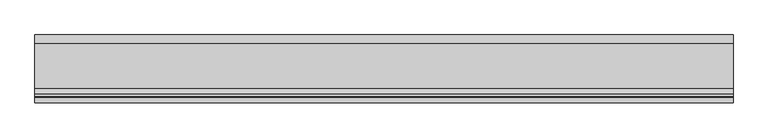
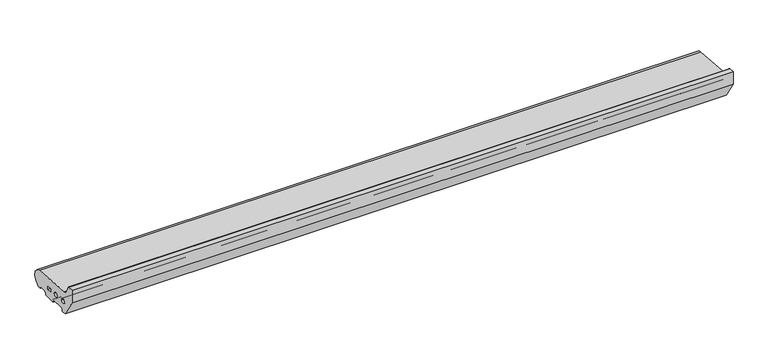
"""IFC4 building model written with IfcOpenShell, lengths in millimetres: proxy geometry."""

import ifcopenshell
import ifcopenshell.guid

model = None  # the IFC model being written
_history = None  # IfcOwnerHistory: only IFC2X3 demands one
_inside = {}  # id of a spatial element -> (the spatial element, [elements in it])
_under = {}  # id of a project, library or spatial element -> (it, [spatial elements below it])
_declared = {}  # id of a project -> (the project, [libraries it declares])
_typed = {}  # id of a type object -> (the type object, [elements of that type])
_made_of = {}  # id of a material, layer set ... -> (it, [elements and type objects made of it])


def new_model(schema):
    """Start an empty IFC model of exactly this schema.

    Asked for "IFC4X3", IfcOpenShell would pick the latest addendum, in which some entities
    have other attributes; the version numbers below select the first issue.
    IFC2X3 requires an IfcOwnerHistory on every rooted entity: one is made here for all.
    """
    global model, _history
    if schema == "IFC4X3":
        model = ifcopenshell.file(schema_version=(4, 3, 0, 0))
    else:
        model = ifcopenshell.file(schema=schema)
    _inside.clear()
    _under.clear()
    _declared.clear()
    _typed.clear()
    _made_of.clear()
    _history = None
    if model.schema == "IFC2X3":
        org = make("IfcOrganization", Name="unknown")
        user = make(
            "IfcPersonAndOrganization",
            ThePerson=make("IfcPerson", FamilyName="unknown"),
            TheOrganization=org,
        )
        app = make(
            "IfcApplication",
            ApplicationDeveloper=org,
            Version="unknown",
            ApplicationFullName="unknown",
            ApplicationIdentifier="unknown",
        )
        _history = make(
            "IfcOwnerHistory",
            OwningUser=user,
            OwningApplication=app,
            ChangeAction="ADDED",
            CreationDate=0,
        )
    return model


def make(cls, **values):
    """One entity of the class cls with the attributes given. An attribute that is None is left unset."""
    return model.create_entity(
        cls, **{name: value for name, value in values.items() if value is not None}
    )


def rooted(cls, **values):
    """An entity with a GlobalId (a new one), such as an element, a storey or a relation."""
    return make(cls, GlobalId=ifcopenshell.guid.new(), OwnerHistory=_history, **values)


def si_unit(unit_type, name, prefix=None):
    """IfcSIUnit, for example si_unit("LENGTHUNIT", "METRE", prefix="MILLI")."""
    return make("IfcSIUnit", UnitType=unit_type, Prefix=prefix, Name=name)


def assignment(units):
    """IfcUnitAssignment: the units of a project."""
    return None if units is None else make("IfcUnitAssignment", Units=units)


def point(xyz):
    """IfcCartesianPoint."""
    return None if xyz is None else make("IfcCartesianPoint", Coordinates=xyz)


def direction(xyz):
    """IfcDirection."""
    return None if xyz is None else make("IfcDirection", DirectionRatios=xyz)


def frame(location, z_axis=None, x_axis=None):
    """IfcAxis2Placement3D, a coordinate frame: its origin and axes. An axis left out is left unset."""
    return make(
        "IfcAxis2Placement3D",
        Location=point(location),
        Axis=direction(z_axis),
        RefDirection=direction(x_axis),
    )


def frame_2d(location, x_axis=None):
    """IfcAxis2Placement2D, a coordinate frame in the plane: its origin and x axis."""
    return make(
        "IfcAxis2Placement2D", Location=point(location), RefDirection=direction(x_axis)
    )


def origin():
    """The frame at (0, 0, 0) with its axes left unset."""
    return frame((0.0, 0.0, 0.0))


def place(relative_to, where):
    """IfcLocalPlacement: puts the frame where relative to a parent placement (None: the world)."""
    return make(
        "IfcLocalPlacement", PlacementRelTo=relative_to, RelativePlacement=where
    )


def context(
    kind, dimensions, precision=None, world=None, true_north=None, identifier=None
):
    """IfcGeometricRepresentationContext, for example the 3D "Model" context."""
    return make(
        "IfcGeometricRepresentationContext",
        ContextIdentifier=identifier,
        ContextType=kind,
        CoordinateSpaceDimension=dimensions,
        Precision=precision,
        WorldCoordinateSystem=world,
        TrueNorth=true_north,
    )


def project(units=None, contexts=None):
    """IfcProject with its units and contexts."""
    return rooted(
        "IfcProject",
        Name="project",
        RepresentationContexts=contexts,
        UnitsInContext=assignment(units),
    )


def spatial(cls, under=None, at=None, **own):
    """A site, building, storey or space (cls), placed at a placement, below another one or the project."""
    s = rooted(cls, ObjectPlacement=at, **own)
    if under is not None:
        _under.setdefault(under.id(), (under, []))[1].append(s)
    return s


def polyline(points):
    """IfcPolyline through the points."""
    return make("IfcPolyline", Points=[point(p) for p in points])


def circle_curve(where, radius):
    """IfcCircle in the frame where."""
    return make("IfcCircle", Position=where, Radius=radius)


def trimmed(basis, trim1, trim2, sense, master):
    """IfcTrimmedCurve: the piece of a basis curve between two trims."""
    return make(
        "IfcTrimmedCurve",
        BasisCurve=basis,
        Trim1=trim1,
        Trim2=trim2,
        SenseAgreement=sense,
        MasterRepresentation=master,
    )


def segment(curve, same_sense, transition):
    """IfcCompositeCurveSegment."""
    return make(
        "IfcCompositeCurveSegment",
        Transition=transition,
        SameSense=same_sense,
        ParentCurve=curve,
    )


def composite_curve(segments, self_intersect=None):
    """IfcCompositeCurve: segments joined end to end."""
    return make("IfcCompositeCurve", Segments=segments, SelfIntersect=self_intersect)


def outline(outer, holes=None, kind="AREA"):
    """IfcArbitraryClosedProfileDef: a profile drawn as a closed curve; with holes, ...WithVoids."""
    if holes is None:
        return make("IfcArbitraryClosedProfileDef", ProfileType=kind, OuterCurve=outer)
    return make(
        "IfcArbitraryProfileDefWithVoids",
        ProfileType=kind,
        OuterCurve=outer,
        InnerCurves=holes,
    )


def extrude(swept, where, along, depth):
    """IfcExtrudedAreaSolid: the profile swept, set in the frame where, extruded along a direction by depth."""
    return make(
        "IfcExtrudedAreaSolid",
        SweptArea=swept,
        Position=where,
        ExtrudedDirection=direction(along),
        Depth=depth,
    )


def shape(context_of_items, identifier, shape_type, items):
    """IfcShapeRepresentation: the items that make up one representation, for example the "Body"."""
    return make(
        "IfcShapeRepresentation",
        ContextOfItems=context_of_items,
        RepresentationIdentifier=identifier,
        RepresentationType=shape_type,
        Items=items,
    )


def source(mapping_origin, context_of_items, identifier, shape_type, items):
    """IfcRepresentationMap: a shape defined once, which mapped items show again and again."""
    return make(
        "IfcRepresentationMap",
        MappingOrigin=mapping_origin,
        MappedRepresentation=shape(context_of_items, identifier, shape_type, items),
    )


def transform(
    local_origin,
    x_axis=None,
    y_axis=None,
    z_axis=None,
    scale=None,
    scale2=None,
    scale3=None,
    uniform=True,
):
    """IfcCartesianTransformationOperator3D, or its non-uniform kind. x_axis, y_axis, z_axis: its Axis1, 2, 3."""
    if uniform:
        return make(
            "IfcCartesianTransformationOperator3D",
            Axis1=direction(x_axis),
            Axis2=direction(y_axis),
            LocalOrigin=point(local_origin),
            Scale=scale,
            Axis3=direction(z_axis),
        )
    return make(
        "IfcCartesianTransformationOperator3DnonUniform",
        Axis1=direction(x_axis),
        Axis2=direction(y_axis),
        LocalOrigin=point(local_origin),
        Scale=scale,
        Axis3=direction(z_axis),
        Scale2=scale2,
        Scale3=scale3,
    )


def mapped(mapping_source, mapping_target):
    """IfcMappedItem: shows the shape of a source again, moved by a transform."""
    return make(
        "IfcMappedItem", MappingSource=mapping_source, MappingTarget=mapping_target
    )


def made_of(thing, what):
    """Note that an element or type object is made of a material, layer set ...; save() writes the relation."""
    if what is not None:
        _made_of.setdefault(what.id(), (what, []))[1].append(thing)
    return thing


def element(
    cls,
    number,
    at=None,
    inside=None,
    cuts=None,
    type_object=None,
    material=None,
    context=None,
    identifier="Body",
    shape_type=None,
    held_by="IfcProductDefinitionShape",
    body=None,
    shapes=None,
    **own,
):
    """One element of the class cls, such as IfcWall. Its Tag is "e" and its number.

    at: its placement. inside: the storey or other place that contains it. cuts: it is an
    opening in that element (IfcRelVoidsElement). A single representation is given by context,
    identifier, shape_type and body (its items); several are given by shapes. held_by: the class
    of the entity that holds the representations. save() writes the other relations.
    """
    e = rooted(cls, Tag="e%d" % number, ObjectPlacement=at, **own)
    if body is not None:
        shapes = [shape(context, identifier, shape_type, body)]
    if shapes is not None:
        e.Representation = make(held_by, Representations=shapes)
    if inside is not None:
        _inside.setdefault(inside.id(), (inside, []))[1].append(e)
    if cuts is not None:
        rooted(
            "IfcRelVoidsElement", RelatingBuildingElement=cuts, RelatedOpeningElement=e
        )
    if type_object is not None:
        _typed.setdefault(type_object.id(), (type_object, []))[1].append(e)
    return made_of(e, material)


def aggregate(whole, parts):
    """IfcRelAggregates: a whole, such as a stair, and the parts it consists of."""
    return rooted("IfcRelAggregates", RelatingObject=whole, RelatedObjects=parts)


def save(model, path):
    """Write the relations noted so far, then the file.

    IfcRelAggregates (storeys below a building ...), IfcRelContainedInSpatialStructure (elements
    in a storey), IfcRelDefinesByType, IfcRelAssociatesMaterial and IfcRelDeclares: one each for
    every whole, place, type object, material and project.
    """
    for whole, parts in _under.values():
        aggregate(whole, parts)
    for where, things in _inside.values():
        rooted(
            "IfcRelContainedInSpatialStructure",
            RelatedElements=things,
            RelatingStructure=where,
        )
    for kind, things in _typed.values():
        rooted("IfcRelDefinesByType", RelatedObjects=things, RelatingType=kind)
    for what, things in _made_of.values():
        rooted("IfcRelAssociatesMaterial", RelatedObjects=things, RelatingMaterial=what)
    for by, libraries in _declared.values():
        rooted("IfcRelDeclares", RelatingContext=by, RelatedDefinitions=libraries)
    model.write(path)


def generic_models_b62b5844(model_context):
    return source(origin(), model_context, "Body", "SweptSolid", [
        extrude(outline(composite_curve([segment(trimmed(circle_curve(frame_2d((26.0, 26.5)), 24.0), [point((28.0858073, 50.4091909))], [point((26.5981483, 2.5074549))], False, "CARTESIAN"), True, "CONTINUOUS"), segment(trimmed(circle_curve(frame_2d((26.5732255, 3.5071443)), 1.0), [point((26.5981483, 2.5074549))], [point((25.7072001, 3.0071443))], False, "CARTESIAN"), True, "CONTINUOUS"), segment(polyline([(25.7072001, 3.0071443), (23.6905989, 6.5)]), True, "CONTINUOUS"), segment(trimmed(circle_curve(frame_2d((21.9585481, 5.5)), 2.0), [point((23.6905989, 6.5))], [point((21.9585481, 7.5))], True, "CARTESIAN"), True, "CONTINUOUS"), segment(polyline([(21.9585481, 7.5), (5.4848276, 7.5)]), True, "CONTINUOUS"), segment(trimmed(circle_curve(frame_2d((5.4848276, 5.5)), 2.0), [point((5.4848276, 7.5))], [point((3.7527767, 6.5))], True, "CARTESIAN"), True, "CONTINUOUS"), segment(polyline([(3.7527767, 6.5), (0.2886751, 0.5)]), True, "CONTINUOUS"), segment(trimmed(circle_curve(frame_2d((-0.5773503, 1.0)), 1.0), [point((0.2886751, 0.5))], [point((-0.5773503, 0.0))], False, "CARTESIAN"), True, "CONTINUOUS"), segment(polyline([(-0.5773503, 0.0), (-32.0, 0.0)]), True, "CONTINUOUS"), segment(trimmed(circle_curve(frame_2d((-32.0, 1.0)), 1.0), [point((-32.0, 0.0))], [point((-33.0, 1.0))], False, "CARTESIAN"), True, "CONTINUOUS"), segment(polyline([(-33.0, 1.0), (-33.0, 5.5)]), True, "CONTINUOUS"), segment(trimmed(circle_curve(frame_2d((-35.0, 5.5)), 2.0), [point((-33.0, 5.5))], [point((-35.0, 7.5))], True, "CARTESIAN"), True, "CONTINUOUS"), segment(polyline([(-35.0, 7.5), (-73.0, 7.5)]), True, "CONTINUOUS"), segment(trimmed(circle_curve(frame_2d((-73.0, 5.5)), 2.0), [point((-73.0, 7.5))], [point((-75.0, 5.5))], True, "CARTESIAN"), True, "CONTINUOUS"), segment(polyline([(-75.0, 5.5), (-75.0, 1.0)]), True, "CONTINUOUS"), segment(trimmed(circle_curve(frame_2d((-76.0, 1.0)), 1.0), [point((-75.0, 1.0))], [point((-76.0, 0.0))], False, "CARTESIAN"), True, "CONTINUOUS"), segment(polyline([(-76.0, 0.0), (-88.0, 0.0), (-120.0, 50.0), (-120.0, 85.0), (-105.2988152, 85.0)]), True, "CONTINUOUS"), segment(trimmed(circle_curve(frame_2d((-105.2988152, 83.0)), 2.0), [point((-105.2988152, 85.0))], [point((-103.4717243, 83.8134733))], False, "CARTESIAN"), True, "CONTINUOUS"), segment(polyline([(-103.4717243, 83.8134733), (-96.6696696, 68.5358083)]), True, "CONTINUOUS"), segment(trimmed(circle_curve(frame_2d((-83.8800332, 74.2301213)), 14.0), [point((-96.6696696, 68.5358083))], [point((-85.0967541, 60.2830933))], True, "CARTESIAN"), True, "CONTINUOUS"), segment(polyline([(-85.0967541, 60.2830933), (28.0858073, 50.4091909)]), True, "CONTINUOUS")], self_intersect=False), holes=[polyline([(-9.5, 28.9289), (-21.5, 28.9289), (-21.5, 20.9289), (-9.5, 20.9289), (-9.5, 28.9289)]), composite_curve([segment(trimmed(circle_curve(frame_2d((-45.5, 27.333)), 6.0), [point((-51.5, 27.333))], [point((-39.5, 27.333))], True, "CARTESIAN"), True, "CONTINUOUS"), segment(trimmed(circle_curve(frame_2d((-45.5, 27.333)), 6.0), [point((-39.5, 27.333))], [point((-51.5, 27.333))], True, "CARTESIAN"), True, "CONTINUOUS")], self_intersect=False), composite_curve([segment(trimmed(circle_curve(frame_2d((-78.0, 30.0)), 6.0), [point((-84.0, 30.0))], [point((-72.0, 30.0))], True, "CARTESIAN"), True, "CONTINUOUS"), segment(trimmed(circle_curve(frame_2d((-78.0, 30.0)), 6.0), [point((-72.0, 30.0))], [point((-84.0, 30.0))], True, "CARTESIAN"), True, "CONTINUOUS")], self_intersect=False)]), frame((0.0, 0.0, 0.0), z_axis=(1.0, 0.0, 0.0), x_axis=(0.0, 1.0, 0.0)), (0.0, 0.0, 1.0), 1745.0),
    ])


if __name__ == "__main__":
    model = new_model("IFC4")
    model_context = context("Model", 3, world=origin())
    ifc_project = project(units=[si_unit("LENGTHUNIT", "METRE", prefix="MILLI")], contexts=[model_context])
    site = spatial("IfcSite", under=ifc_project)
    building = spatial("IfcBuilding", under=site)
    placement = place(None, origin())
    generic_models_shape = generic_models_b62b5844(model_context)
    element("IfcBuildingElementProxy", 1, Name="Generic Models", at=placement, inside=building, context=model_context, shape_type="MappedRepresentation", body=[
        mapped(generic_models_shape, transform((0.0, 0.0, 0.0), x_axis=(1.0, 0.0, 0.0), y_axis=(0.0, 1.0, 0.0), z_axis=(0.0, 0.0, 1.0))),
    ])
    save(model, "model.ifc")
